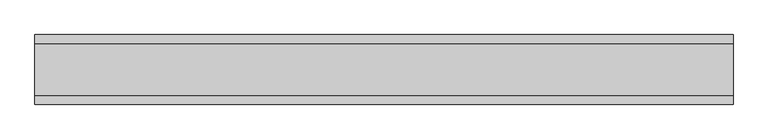
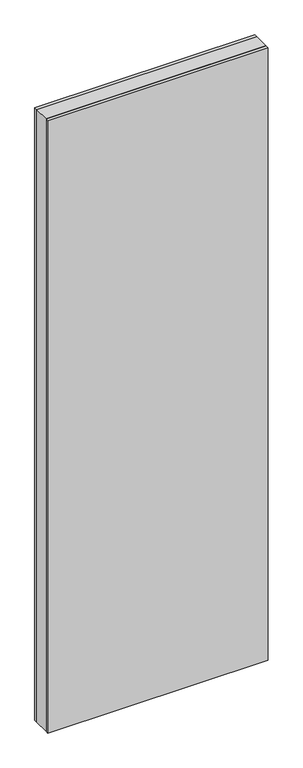
"""IFC4 building model written with IfcOpenShell, lengths in millimetres: plate geometry."""

from ifc_helpers import new_model, si_unit, origin, origin_with_axes, place, context, project, spatial, polyline, outline, extrude, source, transform, mapped, element, save


def plate_132aaa78(model_context):
    return source(origin(), model_context, "Body", "SweptSolid", [
        extrude(outline(polyline([(498.9415345, 37.0), (498.9415345, -37.0), (-498.9415345, -37.0), (-498.9415345, 37.0), (498.9415345, 37.0)])), origin_with_axes(), (0.0, 0.0, 1.0), 2931.0),
        extrude(outline(polyline([(498.9415345, 50.0), (498.9415345, 37.0), (-498.9415345, 37.0), (-498.9415345, 50.0), (498.9415345, 50.0)])), origin_with_axes(), (0.0, 0.0, 1.0), 2931.0),
        extrude(outline(polyline([(-498.9415345, -50.0), (-498.9415345, -37.0), (498.9415345, -37.0), (498.9415345, -50.0), (-498.9415345, -50.0)])), origin_with_axes(), (0.0, 0.0, 1.0), 2931.0),
    ])


if __name__ == "__main__":
    model = new_model("IFC4")
    model_context = context("Model", 3, world=origin())
    ifc_project = project(units=[si_unit("LENGTHUNIT", "METRE", prefix="MILLI")], contexts=[model_context])
    site = spatial("IfcSite", under=ifc_project)
    building = spatial("IfcBuilding", under=site)
    placement = place(None, origin())
    plate_shape = plate_132aaa78(model_context)
    element("IfcPlate", 1, at=placement, inside=building, context=model_context, shape_type="MappedRepresentation", body=[
        mapped(plate_shape, transform((0.0, 0.0, 0.0), x_axis=(1.0, 0.0, 0.0), y_axis=(0.0, 1.0, 0.0), z_axis=(0.0, 0.0, 1.0))),
    ])
    save(model, "model.ifc")
